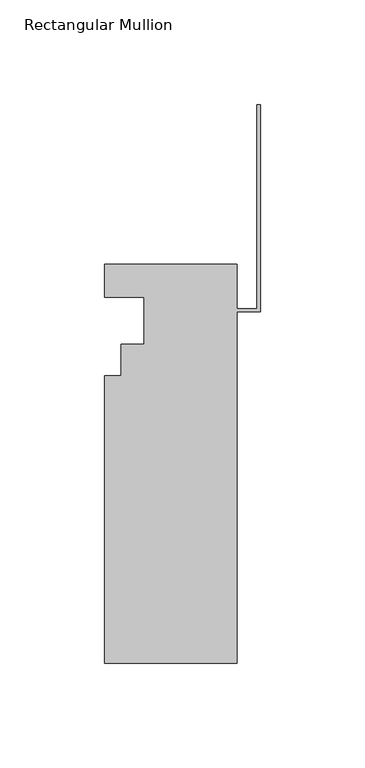
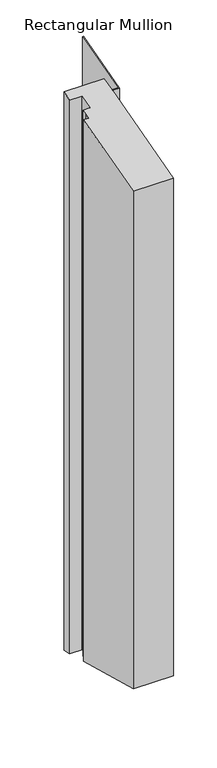
"""IFC4 building model written with IfcOpenShell, lengths in millimetres: member geometry, Rectangular Mullion."""

from ifc_helpers import new_model, si_unit, origin, place, context, project, spatial, faceted_brep, source, transform, mapped, element, save


def rectangular_mullion_5d7df715(model_context):
    return source(origin(), model_context, "Body", "Brep", [
        faceted_brep([(-74.613262, 4.9172813, 1.3175815), (-74.613262, 20.7922813, 5.571275), (-74.613262, 20.7922813, -930.0109086), (-74.613262, 4.9172813, -925.7572152), (-55.563262, 4.9172813, 1.3175815), (-55.563262, 4.9172813, -925.7572152), (-55.563262, -17.5617187, -4.7056484), (-55.563262, -17.5617187, -919.7339853), (-66.688462, -17.5617188, -4.7056484), (-66.688462, -17.5617188, -919.7339853), (-66.688462, -24.7245187, -6.6249148), (-66.688462, -24.7245187, -917.8147188), (-66.688462, -32.6239187, -8.7415527), (-66.688462, -32.6239187, -915.698081), (-74.613262, -32.6239187, -8.7415527), (-74.613262, -32.6239187, -915.698081), (-74.613262, -169.9617187, -45.5411053), (-74.613262, -169.9617187, -878.8985284), (-11.113262, -169.9617187, -45.5411053), (-11.113262, -169.9617187, -878.8985284), (-11.113262, -2.0423187, -0.5472377), (-11.113262, -2.0423187, -923.892396), (0.0, -2.0423187, -0.5472377), (0.0, -2.0423187, -923.892396), (0.0, 97.0234488, 25.9973548), (0.0, 97.0234488, -950.4369884), (-1.5748, 97.0234488, 25.9973548), (-1.5748, 97.0234488, -950.4369884), (-1.5748, -0.4675187, -0.1252713), (-1.5748, -0.4675187, -924.3143624), (-11.113262, -0.4675187, -0.1252713), (-11.113262, -0.4675187, -924.3143624), (-11.113262, 20.7922813, 5.571275), (-11.113262, 20.7922813, -930.0109086)], [[[0, 1, 2, 3]], [[4, 0, 3, 5]], [[6, 4, 5, 7]], [[8, 6, 7, 9]], [[10, 8, 9, 11]], [[12, 10, 11, 13]], [[14, 12, 13, 15]], [[16, 14, 15, 17]], [[18, 16, 17, 19]], [[20, 18, 19, 21]], [[22, 20, 21, 23]], [[24, 22, 23, 25]], [[26, 24, 25, 27]], [[28, 26, 27, 29]], [[30, 28, 29, 31]], [[32, 30, 31, 33]], [[1, 32, 33, 2]], [[1, 0, 4, 6, 8, 10, 12, 14, 16, 18, 20, 22, 24, 26, 28, 30, 32]], [[2, 33, 31, 29, 27, 25, 23, 21, 19, 17, 15, 13, 11, 9, 7, 5, 3]]]),
    ])


if __name__ == "__main__":
    model = new_model("IFC4")
    model_context = context("Model", 3, world=origin())
    ifc_project = project(units=[si_unit("LENGTHUNIT", "METRE", prefix="MILLI")], contexts=[model_context])
    site = spatial("IfcSite", under=ifc_project)
    building = spatial("IfcBuilding", under=site)
    placement = place(None, origin())
    rectangular_mullion_shape = rectangular_mullion_5d7df715(model_context)
    element("IfcMember", 1, ObjectType="Rectangular Mullion", at=placement, inside=building, context=model_context, shape_type="MappedRepresentation", body=[
        mapped(rectangular_mullion_shape, transform((0.0, 0.0, 0.0), x_axis=(1.0, 0.0, 0.0), y_axis=(0.0, 1.0, 0.0), z_axis=(0.0, 0.0, 1.0))),
    ])
    save(model, "model.ifc")
